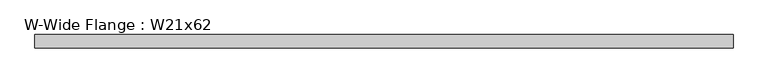
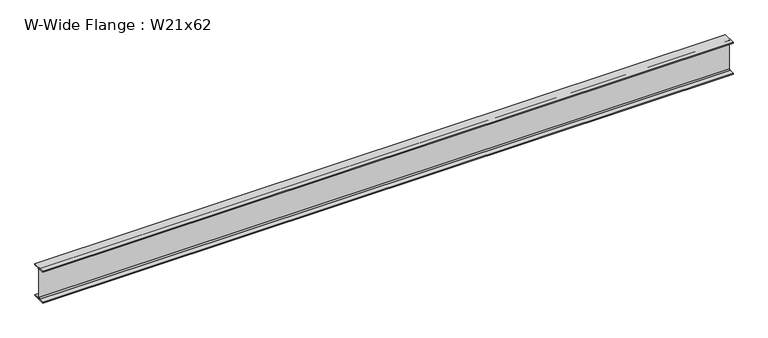
"""IFC4 building model written with IfcOpenShell, lengths in millimetres: beam geometry, W-Wide Flange : W21x62."""

import ifcopenshell
import ifcopenshell.guid

model = None  # the IFC model being written
_history = None  # IfcOwnerHistory: only IFC2X3 demands one
_inside = {}  # id of a spatial element -> (the spatial element, [elements in it])
_under = {}  # id of a project, library or spatial element -> (it, [spatial elements below it])
_declared = {}  # id of a project -> (the project, [libraries it declares])
_typed = {}  # id of a type object -> (the type object, [elements of that type])
_made_of = {}  # id of a material, layer set ... -> (it, [elements and type objects made of it])


def new_model(schema):
    """Start an empty IFC model of exactly this schema.

    Asked for "IFC4X3", IfcOpenShell would pick the latest addendum, in which some entities
    have other attributes; the version numbers below select the first issue.
    IFC2X3 requires an IfcOwnerHistory on every rooted entity: one is made here for all.
    """
    global model, _history
    if schema == "IFC4X3":
        model = ifcopenshell.file(schema_version=(4, 3, 0, 0))
    else:
        model = ifcopenshell.file(schema=schema)
    _inside.clear()
    _under.clear()
    _declared.clear()
    _typed.clear()
    _made_of.clear()
    _history = None
    if model.schema == "IFC2X3":
        org = make("IfcOrganization", Name="unknown")
        user = make(
            "IfcPersonAndOrganization",
            ThePerson=make("IfcPerson", FamilyName="unknown"),
            TheOrganization=org,
        )
        app = make(
            "IfcApplication",
            ApplicationDeveloper=org,
            Version="unknown",
            ApplicationFullName="unknown",
            ApplicationIdentifier="unknown",
        )
        _history = make(
            "IfcOwnerHistory",
            OwningUser=user,
            OwningApplication=app,
            ChangeAction="ADDED",
            CreationDate=0,
        )
    return model


def make(cls, **values):
    """One entity of the class cls with the attributes given. An attribute that is None is left unset."""
    return model.create_entity(
        cls, **{name: value for name, value in values.items() if value is not None}
    )


def rooted(cls, **values):
    """An entity with a GlobalId (a new one), such as an element, a storey or a relation."""
    return make(cls, GlobalId=ifcopenshell.guid.new(), OwnerHistory=_history, **values)


def si_unit(unit_type, name, prefix=None):
    """IfcSIUnit, for example si_unit("LENGTHUNIT", "METRE", prefix="MILLI")."""
    return make("IfcSIUnit", UnitType=unit_type, Prefix=prefix, Name=name)


def assignment(units):
    """IfcUnitAssignment: the units of a project."""
    return None if units is None else make("IfcUnitAssignment", Units=units)


def point(xyz):
    """IfcCartesianPoint."""
    return None if xyz is None else make("IfcCartesianPoint", Coordinates=xyz)


def direction(xyz):
    """IfcDirection."""
    return None if xyz is None else make("IfcDirection", DirectionRatios=xyz)


def frame(location, z_axis=None, x_axis=None):
    """IfcAxis2Placement3D, a coordinate frame: its origin and axes. An axis left out is left unset."""
    return make(
        "IfcAxis2Placement3D",
        Location=point(location),
        Axis=direction(z_axis),
        RefDirection=direction(x_axis),
    )


def frame_2d(location, x_axis=None):
    """IfcAxis2Placement2D, a coordinate frame in the plane: its origin and x axis."""
    return make(
        "IfcAxis2Placement2D", Location=point(location), RefDirection=direction(x_axis)
    )


def origin():
    """The frame at (0, 0, 0) with its axes left unset."""
    return frame((0.0, 0.0, 0.0))


def place(relative_to, where):
    """IfcLocalPlacement: puts the frame where relative to a parent placement (None: the world)."""
    return make(
        "IfcLocalPlacement", PlacementRelTo=relative_to, RelativePlacement=where
    )


def context(
    kind, dimensions, precision=None, world=None, true_north=None, identifier=None
):
    """IfcGeometricRepresentationContext, for example the 3D "Model" context."""
    return make(
        "IfcGeometricRepresentationContext",
        ContextIdentifier=identifier,
        ContextType=kind,
        CoordinateSpaceDimension=dimensions,
        Precision=precision,
        WorldCoordinateSystem=world,
        TrueNorth=true_north,
    )


def project(units=None, contexts=None):
    """IfcProject with its units and contexts."""
    return rooted(
        "IfcProject",
        Name="project",
        RepresentationContexts=contexts,
        UnitsInContext=assignment(units),
    )


def spatial(cls, under=None, at=None, **own):
    """A site, building, storey or space (cls), placed at a placement, below another one or the project."""
    s = rooted(cls, ObjectPlacement=at, **own)
    if under is not None:
        _under.setdefault(under.id(), (under, []))[1].append(s)
    return s


def polyline(points):
    """IfcPolyline through the points."""
    return make("IfcPolyline", Points=[point(p) for p in points])


def circle_curve(where, radius):
    """IfcCircle in the frame where."""
    return make("IfcCircle", Position=where, Radius=radius)


def trimmed(basis, trim1, trim2, sense, master):
    """IfcTrimmedCurve: the piece of a basis curve between two trims."""
    return make(
        "IfcTrimmedCurve",
        BasisCurve=basis,
        Trim1=trim1,
        Trim2=trim2,
        SenseAgreement=sense,
        MasterRepresentation=master,
    )


def segment(curve, same_sense, transition):
    """IfcCompositeCurveSegment."""
    return make(
        "IfcCompositeCurveSegment",
        Transition=transition,
        SameSense=same_sense,
        ParentCurve=curve,
    )


def composite_curve(segments, self_intersect=None):
    """IfcCompositeCurve: segments joined end to end."""
    return make("IfcCompositeCurve", Segments=segments, SelfIntersect=self_intersect)


def outline(outer, holes=None, kind="AREA"):
    """IfcArbitraryClosedProfileDef: a profile drawn as a closed curve; with holes, ...WithVoids."""
    if holes is None:
        return make("IfcArbitraryClosedProfileDef", ProfileType=kind, OuterCurve=outer)
    return make(
        "IfcArbitraryProfileDefWithVoids",
        ProfileType=kind,
        OuterCurve=outer,
        InnerCurves=holes,
    )


def extrude(swept, where, along, depth):
    """IfcExtrudedAreaSolid: the profile swept, set in the frame where, extruded along a direction by depth."""
    return make(
        "IfcExtrudedAreaSolid",
        SweptArea=swept,
        Position=where,
        ExtrudedDirection=direction(along),
        Depth=depth,
    )


def shape(context_of_items, identifier, shape_type, items):
    """IfcShapeRepresentation: the items that make up one representation, for example the "Body"."""
    return make(
        "IfcShapeRepresentation",
        ContextOfItems=context_of_items,
        RepresentationIdentifier=identifier,
        RepresentationType=shape_type,
        Items=items,
    )


def source(mapping_origin, context_of_items, identifier, shape_type, items):
    """IfcRepresentationMap: a shape defined once, which mapped items show again and again."""
    return make(
        "IfcRepresentationMap",
        MappingOrigin=mapping_origin,
        MappedRepresentation=shape(context_of_items, identifier, shape_type, items),
    )


def transform(
    local_origin,
    x_axis=None,
    y_axis=None,
    z_axis=None,
    scale=None,
    scale2=None,
    scale3=None,
    uniform=True,
):
    """IfcCartesianTransformationOperator3D, or its non-uniform kind. x_axis, y_axis, z_axis: its Axis1, 2, 3."""
    if uniform:
        return make(
            "IfcCartesianTransformationOperator3D",
            Axis1=direction(x_axis),
            Axis2=direction(y_axis),
            LocalOrigin=point(local_origin),
            Scale=scale,
            Axis3=direction(z_axis),
        )
    return make(
        "IfcCartesianTransformationOperator3DnonUniform",
        Axis1=direction(x_axis),
        Axis2=direction(y_axis),
        LocalOrigin=point(local_origin),
        Scale=scale,
        Axis3=direction(z_axis),
        Scale2=scale2,
        Scale3=scale3,
    )


def mapped(mapping_source, mapping_target):
    """IfcMappedItem: shows the shape of a source again, moved by a transform."""
    return make(
        "IfcMappedItem", MappingSource=mapping_source, MappingTarget=mapping_target
    )


def made_of(thing, what):
    """Note that an element or type object is made of a material, layer set ...; save() writes the relation."""
    if what is not None:
        _made_of.setdefault(what.id(), (what, []))[1].append(thing)
    return thing


def element(
    cls,
    number,
    at=None,
    inside=None,
    cuts=None,
    type_object=None,
    material=None,
    context=None,
    identifier="Body",
    shape_type=None,
    held_by="IfcProductDefinitionShape",
    body=None,
    shapes=None,
    **own,
):
    """One element of the class cls, such as IfcWall. Its Tag is "e" and its number.

    at: its placement. inside: the storey or other place that contains it. cuts: it is an
    opening in that element (IfcRelVoidsElement). A single representation is given by context,
    identifier, shape_type and body (its items); several are given by shapes. held_by: the class
    of the entity that holds the representations. save() writes the other relations.
    """
    e = rooted(cls, Tag="e%d" % number, ObjectPlacement=at, **own)
    if body is not None:
        shapes = [shape(context, identifier, shape_type, body)]
    if shapes is not None:
        e.Representation = make(held_by, Representations=shapes)
    if inside is not None:
        _inside.setdefault(inside.id(), (inside, []))[1].append(e)
    if cuts is not None:
        rooted(
            "IfcRelVoidsElement", RelatingBuildingElement=cuts, RelatedOpeningElement=e
        )
    if type_object is not None:
        _typed.setdefault(type_object.id(), (type_object, []))[1].append(e)
    return made_of(e, material)


def aggregate(whole, parts):
    """IfcRelAggregates: a whole, such as a stair, and the parts it consists of."""
    return rooted("IfcRelAggregates", RelatingObject=whole, RelatedObjects=parts)


def save(model, path):
    """Write the relations noted so far, then the file.

    IfcRelAggregates (storeys below a building ...), IfcRelContainedInSpatialStructure (elements
    in a storey), IfcRelDefinesByType, IfcRelAssociatesMaterial and IfcRelDeclares: one each for
    every whole, place, type object, material and project.
    """
    for whole, parts in _under.values():
        aggregate(whole, parts)
    for where, things in _inside.values():
        rooted(
            "IfcRelContainedInSpatialStructure",
            RelatedElements=things,
            RelatingStructure=where,
        )
    for kind, things in _typed.values():
        rooted("IfcRelDefinesByType", RelatedObjects=things, RelatingType=kind)
    for what, things in _made_of.values():
        rooted("IfcRelAssociatesMaterial", RelatedObjects=things, RelatingMaterial=what)
    for by, libraries in _declared.values():
        rooted("IfcRelDeclares", RelatingContext=by, RelatedDefinitions=libraries)
    model.write(path)


def w_wide_flange_w21x62_6219bd10(model_context):
    return source(origin(), model_context, "Body", "SweptSolid", [
        extrude(outline(composite_curve([segment(polyline([(104.648, -251.079), (104.648, -266.7), (-104.648, -266.7), (-104.648, -251.079), (-22.7965, -251.079)]), True, "CONTINUOUS"), segment(trimmed(circle_curve(frame_2d((-22.7965, -233.3625)), 17.7165), [point((-22.7965, -251.079))], [point((-5.08, -233.3625))], True, "CARTESIAN"), True, "CONTINUOUS"), segment(polyline([(-5.08, -233.3625), (-5.08, 233.3625)]), True, "CONTINUOUS"), segment(trimmed(circle_curve(frame_2d((-22.7965, 233.3625)), 17.7165), [point((-5.08, 233.3625))], [point((-22.7965, 251.079))], True, "CARTESIAN"), True, "CONTINUOUS"), segment(polyline([(-22.7965, 251.079), (-104.648, 251.079), (-104.648, 266.7), (104.648, 266.7), (104.648, 251.079), (22.7965, 251.079)]), True, "CONTINUOUS"), segment(trimmed(circle_curve(frame_2d((22.7965, 233.3625)), 17.7165), [point((22.7965, 251.079))], [point((5.08, 233.3625))], True, "CARTESIAN"), True, "CONTINUOUS"), segment(polyline([(5.08, 233.3625), (5.08, -233.3625)]), True, "CONTINUOUS"), segment(trimmed(circle_curve(frame_2d((22.7965, -233.3625)), 17.7165), [point((5.08, -233.3625))], [point((22.7965, -251.079))], True, "CARTESIAN"), True, "CONTINUOUS"), segment(polyline([(22.7965, -251.079), (104.648, -251.079)]), True, "CONTINUOUS")], self_intersect=False)), frame((-5468.239, 0.0, 0.0), z_axis=(1.0, 0.0, 0.0), x_axis=(0.0, 1.0, 0.0)), (0.0, 0.0, 1.0), 10936.478),
    ])


if __name__ == "__main__":
    model = new_model("IFC4")
    model_context = context("Model", 3, world=origin())
    ifc_project = project(units=[si_unit("LENGTHUNIT", "METRE", prefix="MILLI")], contexts=[model_context])
    site = spatial("IfcSite", under=ifc_project)
    building = spatial("IfcBuilding", under=site)
    placement = place(None, origin())
    w_wide_flange_w21x62_shape = w_wide_flange_w21x62_6219bd10(model_context)
    element("IfcBeam", 1, ObjectType="W-Wide Flange : W21x62", at=placement, inside=building, context=model_context, shape_type="MappedRepresentation", body=[
        mapped(w_wide_flange_w21x62_shape, transform((0.0, 0.0, 0.0), x_axis=(1.0, 0.0, 0.0), y_axis=(0.0, 1.0, 0.0), z_axis=(0.0, 0.0, 1.0))),
    ])
    save(model, "model.ifc")
